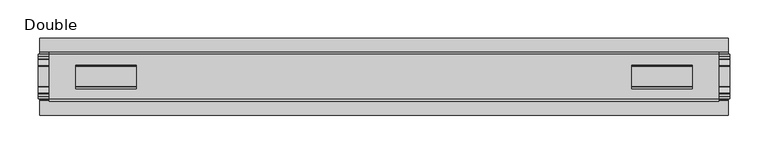
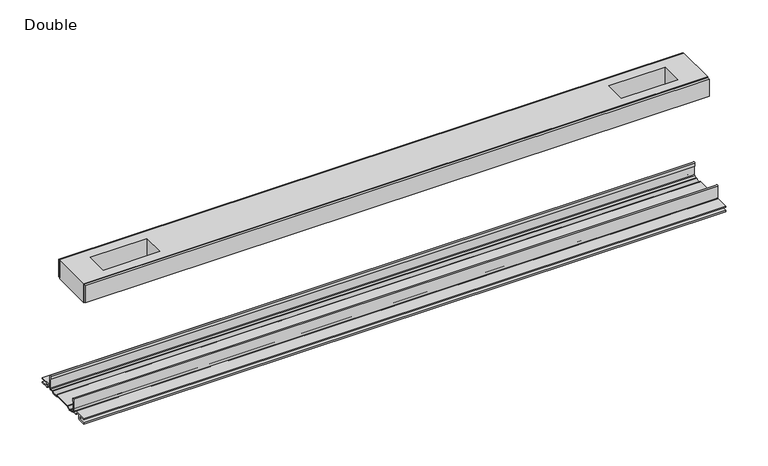
"""IFC4 building model written with IfcOpenShell, lengths in millimetres: proxy geometry, Double."""

from ifc_helpers import new_model, si_unit, point, frame, frame_2d, origin, place, context, project, spatial, polyline, circle_curve, trimmed, segment, composite_curve, outline, extrude, source, transform, mapped, element, save


def double_fa46a99c(model_context):
    return source(origin(), model_context, "Body", "SweptSolid", [
        extrude(outline(polyline([(436.4490205, -29.0068005), (436.4490205, -32.1817997), (-436.4490205, -32.1817997), (-436.4490205, -29.0068005), (436.4490205, -29.0068005)])), frame((0.0, 0.0, 149.8401622), z_axis=(0.0, 0.0, 1.0), x_axis=(1.0, 0.0, 0.0)), (0.0, 0.0, 1.0), 25.3999939),
        extrude(outline(polyline([(436.4490205, 32.1817997), (436.4490205, 29.0068005), (-436.4490205, 29.0068005), (-436.4490205, 32.1817997), (436.4490205, 32.1817997)])), frame((0.0, 0.0, 149.8401622), z_axis=(0.0, 0.0, 1.0), x_axis=(1.0, 0.0, 0.0)), (0.0, 0.0, 1.0), 25.3999939),
        extrude(outline(polyline([(436.4490205, 29.0068005), (436.4490205, -29.0068005), (-436.4490205, -29.0068005), (-436.4490205, 29.0068005), (436.4490205, 29.0068005)]), holes=[polyline([(402.032008, 15.1130038), (322.9871961, 15.1130038), (322.9871961, -15.875003), (402.032008, -15.875003), (402.032008, 15.1130038)]), polyline([(-402.032008, 15.1130038), (-402.032008, -15.875003), (-322.9871961, -15.875003), (-322.9871961, 15.1130038), (-402.032008, 15.1130038)])]), frame((0.0, 0.0, 148.4185847), z_axis=(0.0, 0.0, 1.0), x_axis=(1.0, 0.0, 0.0)), (0.0, 0.0, 1.0), 27.9999988),
        extrude(outline(composite_curve([segment(polyline([(-28.8162961, -7.7516037), (-28.8162961, 9.8607558)]), True, "CONTINUOUS"), segment(trimmed(circle_curve(frame_2d((-27.5970982, 9.8607558)), 1.2191979), [point((-28.8162961, 9.8607558))], [point((-26.3779003, 9.8607558))], False, "CARTESIAN"), True, "CONTINUOUS"), segment(polyline([(-26.3779003, 9.8607558), (-26.3779003, 5.9999563), (-27.6580769, 5.9999563), (-27.6580769, -7.7516037)]), True, "CONTINUOUS"), segment(trimmed(circle_curve(frame_2d((-26.6420561, -7.7516037)), 1.0160208), [point((-27.6580769, -7.7516037))], [point((-26.6485732, -8.7676036))], True, "CARTESIAN"), True, "CONTINUOUS"), segment(polyline([(-26.6485732, -8.7676036), (-22.7056226, -8.7676036), (-21.7922609, -8.968753)]), True, "CONTINUOUS"), segment(trimmed(circle_curve(frame_2d((-17.7673021, -6.1259382)), 4.9276657), [point((-21.7922609, -8.968753))], [point((-13.7423434, -8.968753))], True, "CARTESIAN"), True, "CONTINUOUS"), segment(polyline([(-13.7423434, -8.968753), (-12.8289726, -8.7676036), (13.2099722, -8.7676036), (14.123343, -8.968753)]), True, "CONTINUOUS"), segment(trimmed(circle_curve(frame_2d((18.1483018, -6.1259382)), 4.9276657), [point((14.123343, -8.968753))], [point((22.1732605, -8.968753))], True, "CARTESIAN"), True, "CONTINUOUS"), segment(polyline([(22.1732605, -8.968753), (23.0866222, -8.7676036), (27.0295728, -8.7676036)]), True, "CONTINUOUS"), segment(trimmed(circle_curve(frame_2d((27.0230557, -7.7516037)), 1.0160208), [point((27.0295728, -8.7676036))], [point((28.0390765, -7.7516037))], True, "CARTESIAN"), True, "CONTINUOUS"), segment(polyline([(28.0390765, -7.7516037), (28.0390765, 5.9999563), (26.7588999, 5.9999563), (26.7588999, 9.8607558)]), True, "CONTINUOUS"), segment(trimmed(circle_curve(frame_2d((27.9780978, 9.8607558)), 1.2191979), [point((26.7588999, 9.8607558))], [point((29.1972958, 9.8607558))], False, "CARTESIAN"), True, "CONTINUOUS"), segment(polyline([(29.1972958, 9.8607558), (29.1972958, -7.7516037)]), True, "CONTINUOUS"), segment(trimmed(circle_curve(frame_2d((27.0230557, -7.7516037)), 2.17424), [point((29.1972958, -7.7516037))], [point((27.0230557, -9.9258438))], False, "CARTESIAN"), True, "CONTINUOUS"), segment(polyline([(27.0230557, -9.9258438), (22.732069, -9.9258438)]), True, "CONTINUOUS"), segment(trimmed(circle_curve(frame_2d((18.1516545, -6.4800016)), 5.7318431), [point((22.732069, -9.9258438))], [point((13.57124, -9.9258438))], False, "CARTESIAN"), True, "CONTINUOUS"), segment(polyline([(13.57124, -9.9258438), (-13.1902404, -9.9258438)]), True, "CONTINUOUS"), segment(trimmed(circle_curve(frame_2d((-17.7706549, -6.4800016)), 5.7318431), [point((-13.1902404, -9.9258438))], [point((-22.3510694, -9.9258438))], False, "CARTESIAN"), True, "CONTINUOUS"), segment(polyline([(-22.3510694, -9.9258438), (-26.6420561, -9.9258438)]), True, "CONTINUOUS"), segment(trimmed(circle_curve(frame_2d((-26.6420561, -7.7516037)), 2.17424), [point((-26.6420561, -9.9258438))], [point((-28.8162961, -7.7516037))], False, "CARTESIAN"), True, "CONTINUOUS")], self_intersect=False)), frame((-450.5079114, 0.0, 0.0), z_axis=(1.0, 0.0, 0.0), x_axis=(0.0, 1.0, 0.0)), (0.0, 0.0, 1.0), 901.0158229),
        extrude(outline(composite_curve([segment(polyline([(-50.2668422, -13.9898438), (-50.2240211, -12.3388438), (-39.7827507, -12.3388438), (-39.7827507, -7.766844), (-50.2240211, -7.766844), (-50.2668422, -6.1158439), (-31.1784975, -6.1158439)]), True, "CONTINUOUS"), segment(trimmed(circle_curve(frame_2d((-31.1784975, -7.6398436)), 1.5239997), [point((-31.1784975, -6.1158439))], [point((-29.6544978, -7.6398436))], False, "CARTESIAN"), True, "CONTINUOUS"), segment(polyline([(-29.6544978, -7.6398436), (-29.6544978, -9.9258438), (-23.1058344, -9.9258438)]), True, "CONTINUOUS"), segment(trimmed(circle_curve(frame_2d((-17.7673021, -5.2268471)), 7.1119966), [point((-23.1058344, -9.9258438))], [point((-12.4287699, -9.9258438))], True, "CARTESIAN"), True, "CONTINUOUS"), segment(polyline([(-12.4287699, -9.9258438), (12.8097695, -9.9258438)]), True, "CONTINUOUS"), segment(trimmed(circle_curve(frame_2d((18.1483018, -5.2268471)), 7.1119966), [point((12.8097695, -9.9258438))], [point((23.486834, -9.9258438))], True, "CARTESIAN"), True, "CONTINUOUS"), segment(polyline([(23.486834, -9.9258438), (30.0354975, -9.9258438), (30.0354975, -7.7656583)]), True, "CONTINUOUS"), segment(trimmed(circle_curve(frame_2d((31.6864982, -7.7656583)), 1.6510007), [point((30.0354975, -7.7656583))], [point((31.6239218, -6.1158439))], False, "CARTESIAN"), True, "CONTINUOUS"), segment(polyline([(31.6239218, -6.1158439), (50.00625, -6.1158439), (50.00625, -7.766844), (40.1637503, -7.766844), (40.1637503, -12.3388438), (50.00625, -12.3388438), (50.00625, -13.9898438), (40.0367518, -13.9898438)]), True, "CONTINUOUS"), segment(trimmed(circle_curve(frame_2d((40.0367518, -12.4658438)), 1.524), [point((40.0367518, -13.9898438))], [point((38.5127519, -12.4658438))], False, "CARTESIAN"), True, "CONTINUOUS"), segment(polyline([(38.5127519, -12.4658438), (38.5127519, -7.766844), (31.686497, -7.766844), (31.686497, -10.0528438)]), True, "CONTINUOUS"), segment(trimmed(circle_curve(frame_2d((30.1624971, -10.0528438)), 1.524), [point((31.686497, -10.0528438))], [point((30.1624971, -11.5768438))], False, "CARTESIAN"), True, "CONTINUOUS"), segment(polyline([(30.1624971, -11.5768438), (23.6563549, -11.5768438)]), True, "CONTINUOUS"), segment(trimmed(circle_curve(frame_2d((18.1483018, -6.4968436)), 7.4930002), [point((23.6563549, -11.5768438))], [point((12.8904968, -11.8354331))], False, "CARTESIAN"), True, "CONTINUOUS"), segment(polyline([(12.8904968, -11.8354331), (-12.5094972, -11.8354331)]), True, "CONTINUOUS"), segment(trimmed(circle_curve(frame_2d((-17.7673021, -6.4968436)), 7.4930002), [point((-12.5094972, -11.8354331))], [point((-23.2753553, -11.5768438))], False, "CARTESIAN"), True, "CONTINUOUS"), segment(polyline([(-23.2753553, -11.5768438), (-29.7814974, -11.5768438)]), True, "CONTINUOUS"), segment(trimmed(circle_curve(frame_2d((-29.7814974, -10.0528438)), 1.524), [point((-29.7814974, -11.5768438))], [point((-31.3054974, -10.0528438))], False, "CARTESIAN"), True, "CONTINUOUS"), segment(polyline([(-31.3054974, -10.0528438), (-31.3054974, -7.766844), (-38.1317522, -7.766844), (-38.1317522, -12.4658438)]), True, "CONTINUOUS"), segment(trimmed(circle_curve(frame_2d((-39.6557522, -12.4658438)), 1.524), [point((-38.1317522, -12.4658438))], [point((-39.6557522, -13.9898438))], False, "CARTESIAN"), True, "CONTINUOUS"), segment(polyline([(-39.6557522, -13.9898438), (-50.2668422, -13.9898438)]), True, "CONTINUOUS")], self_intersect=False)), frame((-448.8569114, 0.0, 0.0), z_axis=(1.0, 0.0, 0.0), x_axis=(0.0, 1.0, 0.0)), (0.0, 0.0, 1.0), 897.7138229),
    ])


if __name__ == "__main__":
    model = new_model("IFC4")
    model_context = context("Model", 3, world=origin())
    ifc_project = project(units=[si_unit("LENGTHUNIT", "METRE", prefix="MILLI")], contexts=[model_context])
    site = spatial("IfcSite", under=ifc_project)
    building = spatial("IfcBuilding", under=site)
    placement = place(None, origin())
    double_shape = double_fa46a99c(model_context)
    element("IfcBuildingElementProxy", 1, Name="Double", ObjectType="Double", at=placement, inside=building, context=model_context, shape_type="MappedRepresentation", body=[
        mapped(double_shape, transform((0.0, 0.0, 0.0), x_axis=(1.0, 0.0, 0.0), y_axis=(0.0, 1.0, 0.0), z_axis=(0.0, 0.0, 1.0))),
    ])
    save(model, "model.ifc")
